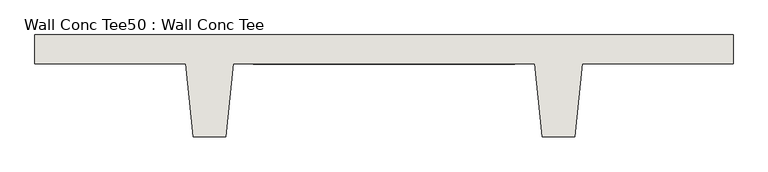
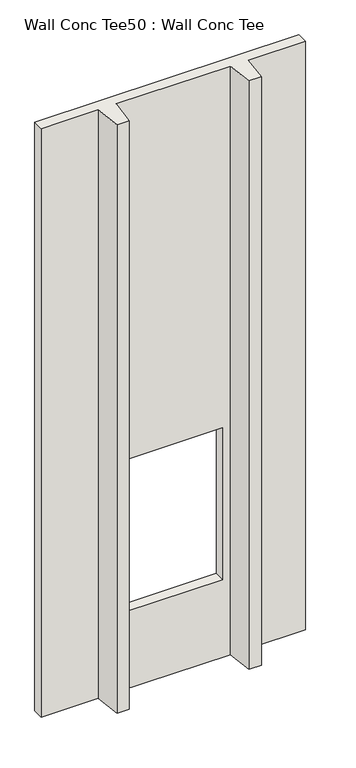
"""IFC4 building model written with IfcOpenShell, lengths in millimetres: wall geometry, Wall Conc Tee50 : Wall Conc Tee."""

from ifc_helpers import new_model, si_unit, origin, place, context, project, spatial, faceted_brep, source, transform, mapped, element, save


def wall_conc_tee50_wall_conc_tee_544564bf(model_context):
    return source(origin(), model_context, "Body", "Brep", [
        faceted_brep([(202400.6728488, 159042.8596581, 5884.1592564), (199962.2728488, 159042.8596581, 5884.1592564), (199962.2728488, 158941.2596581, 5884.1592564), (200489.3228488, 158941.2596581, 5884.1592564), (200514.7228488, 158687.2596581, 5884.1592564), (200629.0228488, 158687.2596581, 5884.1592564), (200654.4228488, 158941.2596581, 5884.1592564), (201708.5228488, 158941.2596581, 5884.1592564), (201733.9228488, 158687.2596581, 5884.1592564), (201848.2228488, 158687.2596581, 5884.1592564), (201873.6228488, 158941.2596581, 5884.1592564), (202400.6728488, 158941.2596581, 5884.1592564), (202400.6728488, 159042.8596581, 143.7592564), (202400.6728488, 158941.2596581, 143.7592564), (201873.6228488, 158941.2596581, 143.7592564), (201848.2228488, 158687.2596581, 143.7592564), (201733.9228488, 158687.2596581, 143.7592564), (201708.5228488, 158941.2596581, 143.7592564), (200654.4228488, 158941.2596581, 143.7592564), (200629.0228488, 158687.2596581, 143.7592564), (200514.7228488, 158687.2596581, 143.7592564), (200489.3228488, 158941.2596581, 143.7592564), (199962.2728488, 158941.2596581, 143.7592564), (199962.2728488, 159042.8596581, 143.7592564), (201638.6728488, 159042.8596581, 899.4092564), (201638.6728488, 159042.8596581, 2378.9592564), (200724.2728488, 159042.8596581, 2378.9592564), (200724.2728488, 159042.8596581, 899.4092564), (201638.6728488, 158941.2596581, 2378.9592564), (201638.6728488, 158941.2596581, 899.4092564), (200724.2728488, 158941.2596581, 899.4092564), (200724.2728488, 158941.2596581, 2378.9592564)], [[[0, 1, 2, 3, 4, 5, 6, 7, 8, 9, 10, 11]], [[12, 13, 14, 15, 16, 17, 18, 19, 20, 21, 22, 23]], [[1, 0, 12, 23], [24, 25, 26, 27]], [[2, 1, 23, 22]], [[3, 2, 22, 21]], [[4, 3, 21, 20]], [[5, 4, 20, 19]], [[6, 5, 19, 18]], [[7, 6, 18, 17], [28, 29, 30, 31]], [[8, 7, 17, 16]], [[9, 8, 16, 15]], [[10, 9, 15, 14]], [[11, 10, 14, 13]], [[0, 11, 13, 12]], [[28, 25, 24, 29]], [[29, 24, 27, 30]], [[30, 27, 26, 31]], [[25, 28, 31, 26]]]),
    ])


if __name__ == "__main__":
    model = new_model("IFC4")
    model_context = context("Model", 3, world=origin())
    ifc_project = project(units=[si_unit("LENGTHUNIT", "METRE", prefix="MILLI")], contexts=[model_context])
    site = spatial("IfcSite", under=ifc_project)
    building = spatial("IfcBuilding", under=site)
    placement = place(None, origin())
    wall_conc_tee50_wall_conc_tee_shape = wall_conc_tee50_wall_conc_tee_544564bf(model_context)
    element("IfcWall", 1, ObjectType="Wall Conc Tee50 : Wall Conc Tee", at=placement, inside=building, context=model_context, shape_type="MappedRepresentation", body=[
        mapped(wall_conc_tee50_wall_conc_tee_shape, transform((0.0, 0.0, 0.0), x_axis=(1.0, 0.0, 0.0), y_axis=(0.0, 1.0, 0.0), z_axis=(0.0, 0.0, 1.0))),
    ])
    save(model, "model.ifc")
